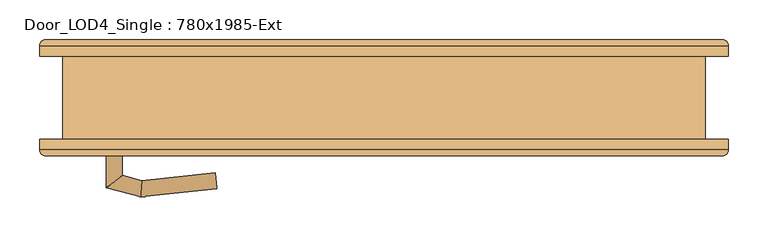
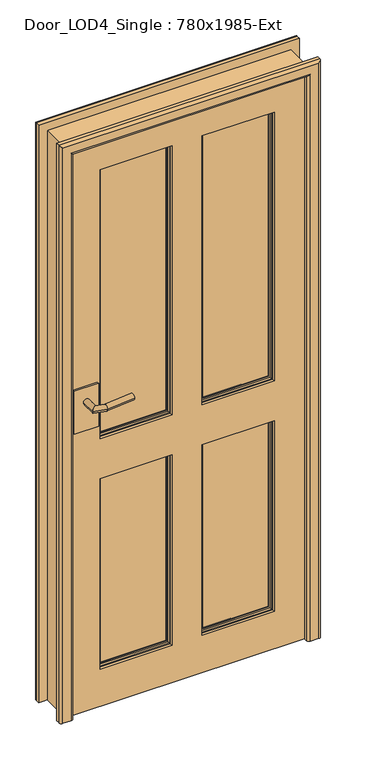
"""IFC4 building model written with IfcOpenShell, lengths in millimetres: door geometry, Door_LOD4_Single : 780x1985-Ext."""

from ifc_helpers import new_model, si_unit, frame, origin, place, context, project, spatial, polyline, circle_curve, ellipse_curve, outline, extrude, faceted_brep, source, transform, mapped, element, save
from ifc_brep_helpers import plane_surface, cylinder_surface, advanced_brep


def door_lod4_single_780x1985_ext_4880addd(model_context):
    return source(origin(), model_context, "Body", "SolidModel", [
        advanced_brep(
        [(290.0000156, -22.5, 130.0), (50.0, -22.5, 130.0), (50.0, -22.5, 800.0), (290.0000156, -22.5, 800.0), (53.6443449, -22.5, 133.6443449), (286.3556707, -22.5, 133.6443449), (286.3556707, -22.5, 796.3556551), (53.6443449, -22.5, 796.3556551), (290.0000156, -42.5, 130.0), (290.0000156, -42.5, 800.0), (50.0, -42.5, 800.0), (50.0, -42.5, 130.0), (53.6443449, -42.5, 796.3556551), (286.3556707, -42.5, 796.3556551), (286.3556707, -42.5, 133.6443449), (53.6443449, -42.5, 133.6443449), (60.5, -34.8125, 789.5), (60.5, -37.8125, 789.5), (60.5, -37.8125, 140.5), (60.5, -34.8125, 140.5), (279.5000156, -37.8125, 140.5), (279.5000156, -34.8125, 140.5), (279.5000156, -37.8125, 789.5), (279.5000156, -34.8125, 789.5), (55.9375, -37.8125, 135.9375), (284.0625156, -37.8125, 135.9375), (284.0625156, -37.8125, 794.0625), (55.9375, -37.8125, 794.0625), (60.5, -27.1875, 789.5), (60.5, -30.1875, 789.5), (60.5, -30.1875, 140.5), (60.5, -27.1875, 140.5), (279.5000156, -30.1875, 140.5), (279.5000156, -27.1875, 140.5), (279.5000156, -30.1875, 789.5), (279.5000156, -27.1875, 789.5), (55.9375, -27.1875, 794.0625), (284.0625156, -27.1875, 794.0625), (284.0625156, -27.1875, 135.9375), (55.9375, -27.1875, 135.9375)],
        [
            (0, 1),
            (1, 2),
            (2, 3),
            (3, 0),
            (4, 5),
            (5, 6),
            (6, 7),
            (7, 4),
            (8, 9),
            (9, 10),
            (10, 11),
            (11, 8),
            (12, 13),
            (13, 14),
            (14, 15),
            (15, 12),
            (3, 9),
            (8, 0),
            (2, 10),
            (1, 11),
            (16, 17),
            (17, 18),
            (18, 19),
            (19, 16),
            (18, 20),
            (20, 21),
            (21, 19),
            (20, 22),
            (22, 23),
            (23, 21),
            (24, 25),
            (25, 26),
            (26, 27),
            (27, 24),
            (17, 22),
            (16, 23),
            (27, 12, ellipse_curve(frame((50.0, -37.8125, 800.0), z_axis=(-0.7071067811865475, 0.0, -0.7071067811865475), x_axis=(0.7071067811865474, 0.0, -0.7071067811865476)), 8.396893, 5.9375)),
            (15, 24, ellipse_curve(frame((50.0, -37.8125, 130.0), z_axis=(-0.7071067811865475, 0.0, 0.7071067811865475), x_axis=(-0.7071067811865474, 0.0, -0.7071067811865476)), 8.396893, 5.9375)),
            (14, 25, ellipse_curve(frame((290.0000156, -37.8125, 130.0), z_axis=(-0.7071067811865475, 0.0, -0.7071067811865475), x_axis=(0.7071067811865476, 0.0, -0.7071067811865474)), 8.396893, 5.9375)),
            (13, 26, ellipse_curve(frame((290.0000156, -37.8125, 800.0), z_axis=(0.7071067811865475, 0.0, -0.7071067811865475), x_axis=(0.7071067811865474, 0.0, 0.7071067811865476)), 8.396893, 5.9375)),
            (28, 29),
            (29, 30),
            (30, 31),
            (31, 28),
            (30, 32),
            (32, 33),
            (33, 31),
            (32, 34),
            (34, 35),
            (35, 33),
            (36, 37),
            (37, 38),
            (38, 39),
            (39, 36),
            (35, 28),
            (34, 29),
            (39, 4, ellipse_curve(frame((50.0, -27.1875, 130.0), z_axis=(-0.7071067811865475, 0.0, 0.7071067811865475), x_axis=(-0.7071067811865474, 0.0, -0.7071067811865476)), 8.396893, 5.9375)),
            (7, 36, ellipse_curve(frame((50.0, -27.1875, 800.0), z_axis=(-0.7071067811865475, 0.0, -0.7071067811865475), x_axis=(0.7071067811865474, 0.0, -0.7071067811865476)), 8.396893, 5.9375)),
            (38, 5, ellipse_curve(frame((290.0000156, -27.1875, 130.0), z_axis=(-0.7071067811865475, 0.0, -0.7071067811865475), x_axis=(0.7071067811865476, 0.0, -0.7071067811865474)), 8.396893, 5.9375)),
            (37, 6, ellipse_curve(frame((290.0000156, -27.1875, 800.0), z_axis=(0.7071067811865475, 0.0, -0.7071067811865475), x_axis=(0.7071067811865474, 0.0, 0.7071067811865476)), 8.396893, 5.9375)),
        ],
        [
            plane_surface(frame((290.0000156, -22.5, 130.0), z_axis=(0.0, 1.0, 0.0), x_axis=(0.0, 0.0, 1.0))),
            plane_surface(frame((290.0000156, -42.5, 130.0), z_axis=(0.0, -1.0, 0.0), x_axis=(0.0, 0.0, -1.0))),
            plane_surface(frame((290.0000156, -22.5, 130.0), z_axis=(1.0, 0.0, 0.0), x_axis=(0.0, -1.0, 0.0))),
            plane_surface(frame((290.0000156, -22.5, 800.0), z_axis=(0.0, 0.0, 1.0), x_axis=(0.0, -1.0, 0.0))),
            plane_surface(frame((50.0, -22.5, 800.0), z_axis=(-1.0, 0.0, 0.0), x_axis=(0.0, -1.0, 0.0))),
            plane_surface(frame((50.0, -22.5, 130.0), z_axis=(0.0, 0.0, -1.0), x_axis=(0.0, -1.0, 0.0))),
            plane_surface(frame((60.5, -37.8125, 789.5), z_axis=(1.0, 0.0, 0.0), x_axis=(0.0, 0.0, -1.0))),
            plane_surface(frame((60.5, -37.8125, 140.5), z_axis=(0.0, 0.0, 1.0), x_axis=(1.0, 0.0, 0.0))),
            plane_surface(frame((279.5000156, -37.8125, 140.5), z_axis=(-1.0, 0.0, 0.0), x_axis=(0.0, 0.0, 1.0))),
            plane_surface(frame((284.0625156, -37.8125, 794.0625), z_axis=(0.0, -1.0, 0.0), x_axis=(-1.0, 0.0, 0.0))),
            plane_surface(frame((279.5000156, -37.8125, 789.5), z_axis=(0.0, 0.0, -1.0), x_axis=(-1.0, 0.0, 0.0))),
            plane_surface(frame((279.5000156, -34.8125, 789.5), z_axis=(0.0, -1.0, 0.0), x_axis=(-1.0, 0.0, 0.0))),
            cylinder_surface(frame((50.0, -37.8125, 800.0), z_axis=(0.0, 0.0, -1.0), x_axis=(-1.0, 0.0, 0.0)), 5.9375),
            cylinder_surface(frame((50.0, -37.8125, 130.0), z_axis=(1.0, 0.0, 0.0), x_axis=(0.0, 0.0, -1.0)), 5.9375),
            cylinder_surface(frame((290.0000156, -37.8125, 130.0), z_axis=(0.0, 0.0, 1.0), x_axis=(1.0, 0.0, 0.0)), 5.9375),
            cylinder_surface(frame((290.0000156, -37.8125, 800.0), z_axis=(-1.0, 0.0, 0.0), x_axis=(0.0, 0.0, 1.0)), 5.9375),
            plane_surface(frame((60.5, -30.1875, 789.5), z_axis=(1.0, 0.0, 0.0), x_axis=(0.0, 0.0, -1.0))),
            plane_surface(frame((60.5, -30.1875, 140.5), z_axis=(0.0, 0.0, 1.0), x_axis=(1.0, 0.0, 0.0))),
            plane_surface(frame((279.5000156, -30.1875, 140.5), z_axis=(-1.0, 0.0, 0.0), x_axis=(0.0, 0.0, 1.0))),
            plane_surface(frame((279.5000156, -27.1875, 789.5), z_axis=(0.0, 1.0, 0.0), x_axis=(-1.0, 0.0, 0.0))),
            plane_surface(frame((279.5000156, -30.1875, 789.5), z_axis=(0.0, 0.0, -1.0), x_axis=(-1.0, 0.0, 0.0))),
            plane_surface(frame((256.5442632, -30.1875, 766.5442476), z_axis=(0.0, 1.0, 0.0), x_axis=(-1.0, 0.0, 0.0))),
            cylinder_surface(frame((50.0, -27.1875, 800.0), z_axis=(0.0, 0.0, -1.0), x_axis=(1.0, 0.0, 0.0)), 5.9375),
            cylinder_surface(frame((50.0, -27.1875, 130.0), z_axis=(1.0, 0.0, 0.0), x_axis=(0.0, 0.0, 1.0)), 5.9375),
            cylinder_surface(frame((290.0000156, -27.1875, 130.0), z_axis=(0.0, 0.0, 1.0), x_axis=(-1.0, 0.0, 0.0)), 5.9375),
            cylinder_surface(frame((290.0000156, -27.1875, 800.0), z_axis=(-1.0, 0.0, 0.0), x_axis=(0.0, 0.0, -1.0)), 5.9375),
        ],
        [
            (0, [[1, 2, 3, 4], [5, 6, 7, 8]]),
            (1, [[9, 10, 11, 12], [13, 14, 15, 16]]),
            (2, [[17, -9, 18, -4]]),
            (3, [[19, -10, -17, -3]]),
            (4, [[20, -11, -19, -2]]),
            (5, [[-18, -12, -20, -1]]),
            (6, [[21, 22, 23, 24]]),
            (7, [[25, 26, 27, -23]]),
            (8, [[28, 29, 30, -26]]),
            (9, [[31, 32, 33, 34], [35, -28, -25, -22]]),
            (10, [[36, -29, -35, -21]]),
            (11, [[-27, -30, -36, -24]]),
            (12, [[37, -16, 38, -34]]),
            (13, [[-38, -15, 39, -31]]),
            (14, [[-39, -14, 40, -32]]),
            (15, [[-40, -13, -37, -33]]),
            (16, [[41, 42, 43, 44]]),
            (17, [[45, 46, 47, -43]]),
            (18, [[48, 49, 50, -46]]),
            (19, [[51, 52, 53, 54], [-47, -50, 55, -44]]),
            (20, [[-55, -49, 56, -41]]),
            (21, [[-56, -48, -45, -42]]),
            (22, [[57, -8, 58, -54]]),
            (23, [[59, -5, -57, -53]]),
            (24, [[60, -6, -59, -52]]),
            (25, [[-58, -7, -60, -51]]),
        ],
    ),
        advanced_brep(
        [(-50.0, -22.5, 130.0), (-290.0000156, -22.5, 130.0), (-290.0000156, -22.5, 800.0), (-50.0, -22.5, 800.0), (-286.3556707, -22.5, 133.6443449), (-53.6443449, -22.5, 133.6443449), (-53.6443449, -22.5, 796.3556551), (-286.3556707, -22.5, 796.3556551), (-50.0, -42.5, 130.0), (-50.0, -42.5, 800.0), (-290.0000156, -42.5, 800.0), (-290.0000156, -42.5, 130.0), (-286.3556707, -42.5, 796.3556551), (-53.6443449, -42.5, 796.3556551), (-53.6443449, -42.5, 133.6443449), (-286.3556707, -42.5, 133.6443449), (-279.5000156, -34.8125, 789.5), (-279.5000156, -37.8125, 789.5), (-279.5000156, -37.8125, 140.5), (-279.5000156, -34.8125, 140.5), (-60.5, -37.8125, 140.5), (-60.5, -34.8125, 140.5), (-60.5, -37.8125, 789.5), (-60.5, -34.8125, 789.5), (-284.0625156, -37.8125, 135.9375), (-55.9375, -37.8125, 135.9375), (-55.9375, -37.8125, 794.0625), (-284.0625156, -37.8125, 794.0625), (-279.5000156, -27.1875, 789.5), (-279.5000156, -30.1875, 789.5), (-279.5000156, -30.1875, 140.5), (-279.5000156, -27.1875, 140.5), (-60.5, -30.1875, 140.5), (-60.5, -27.1875, 140.5), (-60.5, -30.1875, 789.5), (-60.5, -27.1875, 789.5), (-284.0625156, -27.1875, 794.0625), (-55.9375, -27.1875, 794.0625), (-55.9375, -27.1875, 135.9375), (-284.0625156, -27.1875, 135.9375)],
        [
            (0, 1),
            (1, 2),
            (2, 3),
            (3, 0),
            (4, 5),
            (5, 6),
            (6, 7),
            (7, 4),
            (8, 9),
            (9, 10),
            (10, 11),
            (11, 8),
            (12, 13),
            (13, 14),
            (14, 15),
            (15, 12),
            (3, 9),
            (8, 0),
            (2, 10),
            (1, 11),
            (16, 17),
            (17, 18),
            (18, 19),
            (19, 16),
            (18, 20),
            (20, 21),
            (21, 19),
            (20, 22),
            (22, 23),
            (23, 21),
            (24, 25),
            (25, 26),
            (26, 27),
            (27, 24),
            (17, 22),
            (16, 23),
            (27, 12, ellipse_curve(frame((-290.0000156, -37.8125, 800.0), z_axis=(-0.7071067811865475, 0.0, -0.7071067811865475), x_axis=(0.7071067811865474, 0.0, -0.7071067811865476)), 8.396893, 5.9375)),
            (15, 24, ellipse_curve(frame((-290.0000156, -37.8125, 130.0), z_axis=(-0.7071067811865475, 0.0, 0.7071067811865475), x_axis=(-0.7071067811865474, 0.0, -0.7071067811865476)), 8.396893, 5.9375)),
            (14, 25, ellipse_curve(frame((-50.0, -37.8125, 130.0), z_axis=(-0.7071067811865475, 0.0, -0.7071067811865475), x_axis=(0.7071067811865476, 0.0, -0.7071067811865474)), 8.396893, 5.9375)),
            (13, 26, ellipse_curve(frame((-50.0, -37.8125, 800.0), z_axis=(0.7071067811865475, 0.0, -0.7071067811865475), x_axis=(0.7071067811865474, 0.0, 0.7071067811865476)), 8.396893, 5.9375)),
            (28, 29),
            (29, 30),
            (30, 31),
            (31, 28),
            (30, 32),
            (32, 33),
            (33, 31),
            (32, 34),
            (34, 35),
            (35, 33),
            (36, 37),
            (37, 38),
            (38, 39),
            (39, 36),
            (35, 28),
            (34, 29),
            (39, 4, ellipse_curve(frame((-290.0000156, -27.1875, 130.0), z_axis=(-0.7071067811865475, 0.0, 0.7071067811865475), x_axis=(-0.7071067811865474, 0.0, -0.7071067811865476)), 8.396893, 5.9375)),
            (7, 36, ellipse_curve(frame((-290.0000156, -27.1875, 800.0), z_axis=(-0.7071067811865475, 0.0, -0.7071067811865475), x_axis=(0.7071067811865474, 0.0, -0.7071067811865476)), 8.396893, 5.9375)),
            (38, 5, ellipse_curve(frame((-50.0, -27.1875, 130.0), z_axis=(-0.7071067811865475, 0.0, -0.7071067811865475), x_axis=(0.7071067811865476, 0.0, -0.7071067811865474)), 8.396893, 5.9375)),
            (37, 6, ellipse_curve(frame((-50.0, -27.1875, 800.0), z_axis=(0.7071067811865475, 0.0, -0.7071067811865475), x_axis=(0.7071067811865474, 0.0, 0.7071067811865476)), 8.396893, 5.9375)),
        ],
        [
            plane_surface(frame((-50.0, -22.5, 130.0), z_axis=(0.0, 1.0, 0.0), x_axis=(0.0, 0.0, 1.0))),
            plane_surface(frame((-50.0, -42.5, 130.0), z_axis=(0.0, -1.0, 0.0), x_axis=(0.0, 0.0, -1.0))),
            plane_surface(frame((-50.0, -22.5, 130.0), z_axis=(1.0, 0.0, 0.0), x_axis=(0.0, -1.0, 0.0))),
            plane_surface(frame((-50.0, -22.5, 800.0), z_axis=(0.0, 0.0, 1.0), x_axis=(0.0, -1.0, 0.0))),
            plane_surface(frame((-290.0000156, -22.5, 800.0), z_axis=(-1.0, 0.0, 0.0), x_axis=(0.0, -1.0, 0.0))),
            plane_surface(frame((-290.0000156, -22.5, 130.0), z_axis=(0.0, 0.0, -1.0), x_axis=(0.0, -1.0, 0.0))),
            plane_surface(frame((-279.5000156, -37.8125, 789.5), z_axis=(1.0, 0.0, 0.0), x_axis=(0.0, 0.0, -1.0))),
            plane_surface(frame((-279.5000156, -37.8125, 140.5), z_axis=(0.0, 0.0, 1.0), x_axis=(1.0, 0.0, 0.0))),
            plane_surface(frame((-60.5, -37.8125, 140.5), z_axis=(-1.0, 0.0, 0.0), x_axis=(0.0, 0.0, 1.0))),
            plane_surface(frame((-55.9375, -37.8125, 794.0625), z_axis=(0.0, -1.0, 0.0), x_axis=(-1.0, 0.0, 0.0))),
            plane_surface(frame((-60.5, -37.8125, 789.5), z_axis=(0.0, 0.0, -1.0), x_axis=(-1.0, 0.0, 0.0))),
            plane_surface(frame((-60.5, -34.8125, 789.5), z_axis=(0.0, -1.0, 0.0), x_axis=(-1.0, 0.0, 0.0))),
            cylinder_surface(frame((-290.0000156, -37.8125, 800.0), z_axis=(0.0, 0.0, -1.0), x_axis=(-1.0, 0.0, 0.0)), 5.9375),
            cylinder_surface(frame((-290.0000156, -37.8125, 130.0), z_axis=(1.0, 0.0, 0.0), x_axis=(0.0, 0.0, -1.0)), 5.9375),
            cylinder_surface(frame((-50.0, -37.8125, 130.0), z_axis=(0.0, 0.0, 1.0), x_axis=(1.0, 0.0, 0.0)), 5.9375),
            cylinder_surface(frame((-50.0, -37.8125, 800.0), z_axis=(-1.0, 0.0, 0.0), x_axis=(0.0, 0.0, 1.0)), 5.9375),
            plane_surface(frame((-279.5000156, -30.1875, 789.5), z_axis=(1.0, 0.0, 0.0), x_axis=(0.0, 0.0, -1.0))),
            plane_surface(frame((-279.5000156, -30.1875, 140.5), z_axis=(0.0, 0.0, 1.0), x_axis=(1.0, 0.0, 0.0))),
            plane_surface(frame((-60.5, -30.1875, 140.5), z_axis=(-1.0, 0.0, 0.0), x_axis=(0.0, 0.0, 1.0))),
            plane_surface(frame((-60.5, -27.1875, 789.5), z_axis=(0.0, 1.0, 0.0), x_axis=(-1.0, 0.0, 0.0))),
            plane_surface(frame((-60.5, -30.1875, 789.5), z_axis=(0.0, 0.0, -1.0), x_axis=(-1.0, 0.0, 0.0))),
            plane_surface(frame((-83.4557524, -30.1875, 766.5442476), z_axis=(0.0, 1.0, 0.0), x_axis=(-1.0, 0.0, 0.0))),
            cylinder_surface(frame((-290.0000156, -27.1875, 800.0), z_axis=(0.0, 0.0, -1.0), x_axis=(1.0, 0.0, 0.0)), 5.9375),
            cylinder_surface(frame((-290.0000156, -27.1875, 130.0), z_axis=(1.0, 0.0, 0.0), x_axis=(0.0, 0.0, 1.0)), 5.9375),
            cylinder_surface(frame((-50.0, -27.1875, 130.0), z_axis=(0.0, 0.0, 1.0), x_axis=(-1.0, 0.0, 0.0)), 5.9375),
            cylinder_surface(frame((-50.0, -27.1875, 800.0), z_axis=(-1.0, 0.0, 0.0), x_axis=(0.0, 0.0, -1.0)), 5.9375),
        ],
        [
            (0, [[1, 2, 3, 4], [5, 6, 7, 8]]),
            (1, [[9, 10, 11, 12], [13, 14, 15, 16]]),
            (2, [[17, -9, 18, -4]]),
            (3, [[19, -10, -17, -3]]),
            (4, [[20, -11, -19, -2]]),
            (5, [[-18, -12, -20, -1]]),
            (6, [[21, 22, 23, 24]]),
            (7, [[25, 26, 27, -23]]),
            (8, [[28, 29, 30, -26]]),
            (9, [[31, 32, 33, 34], [35, -28, -25, -22]]),
            (10, [[36, -29, -35, -21]]),
            (11, [[-27, -30, -36, -24]]),
            (12, [[37, -16, 38, -34]]),
            (13, [[-38, -15, 39, -31]]),
            (14, [[-39, -14, 40, -32]]),
            (15, [[-40, -13, -37, -33]]),
            (16, [[41, 42, 43, 44]]),
            (17, [[45, 46, 47, -43]]),
            (18, [[48, 49, 50, -46]]),
            (19, [[51, 52, 53, 54], [-47, -50, 55, -44]]),
            (20, [[-55, -49, 56, -41]]),
            (21, [[-56, -48, -45, -42]]),
            (22, [[57, -8, 58, -54]]),
            (23, [[59, -5, -57, -53]]),
            (24, [[60, -6, -59, -52]]),
            (25, [[-58, -7, -60, -51]]),
        ],
    ),
        advanced_brep(
        [(290.0000156, -22.5, 940.0), (50.0, -22.5, 940.0), (50.0, -22.5, 1885.0000795), (290.0000156, -22.5, 1885.0000795), (53.6443449, -22.5, 943.6443449), (286.3556707, -22.5, 943.6443449), (286.3556707, -22.5, 1881.3557346), (53.6443449, -22.5, 1881.3557346), (290.0000156, -42.5, 940.0), (290.0000156, -42.5, 1885.0000795), (50.0, -42.5, 1885.0000795), (50.0, -42.5, 940.0), (53.6443449, -42.5, 1881.3557346), (286.3556707, -42.5, 1881.3557346), (286.3556707, -42.5, 943.6443449), (53.6443449, -42.5, 943.6443449), (60.5, -34.8125, 1874.5000795), (60.5, -37.8125, 1874.5000795), (60.5, -37.8125, 950.5), (60.5, -34.8125, 950.5), (279.5000156, -37.8125, 950.5), (279.5000156, -34.8125, 950.5), (279.5000156, -37.8125, 1874.5000795), (279.5000156, -34.8125, 1874.5000795), (55.9375, -37.8125, 945.9375), (284.0625156, -37.8125, 945.9375), (284.0625156, -37.8125, 1879.0625795), (55.9375, -37.8125, 1879.0625795), (60.5, -27.1875, 1874.5000795), (60.5, -30.1875, 1874.5000795), (60.5, -30.1875, 950.5), (60.5, -27.1875, 950.5), (279.5000156, -30.1875, 950.5), (279.5000156, -27.1875, 950.5), (279.5000156, -30.1875, 1874.5000795), (279.5000156, -27.1875, 1874.5000795), (55.9375, -27.1875, 1879.0625795), (284.0625156, -27.1875, 1879.0625795), (284.0625156, -27.1875, 945.9375), (55.9375, -27.1875, 945.9375)],
        [
            (0, 1),
            (1, 2),
            (2, 3),
            (3, 0),
            (4, 5),
            (5, 6),
            (6, 7),
            (7, 4),
            (8, 9),
            (9, 10),
            (10, 11),
            (11, 8),
            (12, 13),
            (13, 14),
            (14, 15),
            (15, 12),
            (3, 9),
            (8, 0),
            (2, 10),
            (1, 11),
            (16, 17),
            (17, 18),
            (18, 19),
            (19, 16),
            (18, 20),
            (20, 21),
            (21, 19),
            (20, 22),
            (22, 23),
            (23, 21),
            (24, 25),
            (25, 26),
            (26, 27),
            (27, 24),
            (17, 22),
            (16, 23),
            (27, 12, ellipse_curve(frame((50.0, -37.8125, 1885.0000795), z_axis=(-0.7071067811865475, 0.0, -0.7071067811865475), x_axis=(0.7071067811865474, 0.0, -0.7071067811865476)), 8.396893, 5.9375)),
            (15, 24, ellipse_curve(frame((50.0, -37.8125, 940.0), z_axis=(-0.7071067811865475, 0.0, 0.7071067811865475), x_axis=(-0.7071067811865474, 0.0, -0.7071067811865476)), 8.396893, 5.9375)),
            (14, 25, ellipse_curve(frame((290.0000156, -37.8125, 940.0), z_axis=(-0.7071067811865475, 0.0, -0.7071067811865475), x_axis=(0.7071067811865476, 0.0, -0.7071067811865474)), 8.396893, 5.9375)),
            (13, 26, ellipse_curve(frame((290.0000156, -37.8125, 1885.0000795), z_axis=(0.7071067811865475, 0.0, -0.7071067811865475), x_axis=(0.7071067811865474, 0.0, 0.7071067811865476)), 8.396893, 5.9375)),
            (28, 29),
            (29, 30),
            (30, 31),
            (31, 28),
            (30, 32),
            (32, 33),
            (33, 31),
            (32, 34),
            (34, 35),
            (35, 33),
            (36, 37),
            (37, 38),
            (38, 39),
            (39, 36),
            (35, 28),
            (34, 29),
            (39, 4, ellipse_curve(frame((50.0, -27.1875, 940.0), z_axis=(-0.7071067811865475, 0.0, 0.7071067811865475), x_axis=(-0.7071067811865474, 0.0, -0.7071067811865476)), 8.396893, 5.9375)),
            (7, 36, ellipse_curve(frame((50.0, -27.1875, 1885.0000795), z_axis=(-0.7071067811865475, 0.0, -0.7071067811865475), x_axis=(0.7071067811865474, 0.0, -0.7071067811865476)), 8.396893, 5.9375)),
            (38, 5, ellipse_curve(frame((290.0000156, -27.1875, 940.0), z_axis=(-0.7071067811865475, 0.0, -0.7071067811865475), x_axis=(0.7071067811865476, 0.0, -0.7071067811865474)), 8.396893, 5.9375)),
            (37, 6, ellipse_curve(frame((290.0000156, -27.1875, 1885.0000795), z_axis=(0.7071067811865475, 0.0, -0.7071067811865475), x_axis=(0.7071067811865474, 0.0, 0.7071067811865476)), 8.396893, 5.9375)),
        ],
        [
            plane_surface(frame((290.0000156, -22.5, 940.0), z_axis=(0.0, 1.0, 0.0), x_axis=(0.0, 0.0, 1.0))),
            plane_surface(frame((290.0000156, -42.5, 940.0), z_axis=(0.0, -1.0, 0.0), x_axis=(0.0, 0.0, -1.0))),
            plane_surface(frame((290.0000156, -22.5, 940.0), z_axis=(1.0, 0.0, 0.0), x_axis=(0.0, -1.0, 0.0))),
            plane_surface(frame((290.0000156, -22.5, 1885.0000795), z_axis=(0.0, 0.0, 1.0), x_axis=(0.0, -1.0, 0.0))),
            plane_surface(frame((50.0, -22.5, 1885.0000795), z_axis=(-1.0, 0.0, 0.0), x_axis=(0.0, -1.0, 0.0))),
            plane_surface(frame((50.0, -22.5, 940.0), z_axis=(0.0, 0.0, -1.0), x_axis=(0.0, -1.0, 0.0))),
            plane_surface(frame((60.5, -37.8125, 1874.5000795), z_axis=(1.0, 0.0, 0.0), x_axis=(0.0, 0.0, -1.0))),
            plane_surface(frame((60.5, -37.8125, 950.5), z_axis=(0.0, 0.0, 1.0), x_axis=(1.0, 0.0, 0.0))),
            plane_surface(frame((279.5000156, -37.8125, 950.5), z_axis=(-1.0, 0.0, 0.0), x_axis=(0.0, 0.0, 1.0))),
            plane_surface(frame((284.0625156, -37.8125, 1879.0625795), z_axis=(0.0, -1.0, 0.0), x_axis=(-1.0, 0.0, 0.0))),
            plane_surface(frame((279.5000156, -37.8125, 1874.5000795), z_axis=(0.0, 0.0, -1.0), x_axis=(-1.0, 0.0, 0.0))),
            plane_surface(frame((279.5000156, -34.8125, 1874.5000795), z_axis=(0.0, -1.0, 0.0), x_axis=(-1.0, 0.0, 0.0))),
            cylinder_surface(frame((50.0, -37.8125, 1885.0000795), z_axis=(0.0, 0.0, -1.0), x_axis=(-1.0, 0.0, 0.0)), 5.9375),
            cylinder_surface(frame((50.0, -37.8125, 940.0), z_axis=(1.0, 0.0, 0.0), x_axis=(0.0, 0.0, -1.0)), 5.9375),
            cylinder_surface(frame((290.0000156, -37.8125, 940.0), z_axis=(0.0, 0.0, 1.0), x_axis=(1.0, 0.0, 0.0)), 5.9375),
            cylinder_surface(frame((290.0000156, -37.8125, 1885.0000795), z_axis=(-1.0, 0.0, 0.0), x_axis=(0.0, 0.0, 1.0)), 5.9375),
            plane_surface(frame((60.5, -30.1875, 1874.5000795), z_axis=(1.0, 0.0, 0.0), x_axis=(0.0, 0.0, -1.0))),
            plane_surface(frame((60.5, -30.1875, 950.5), z_axis=(0.0, 0.0, 1.0), x_axis=(1.0, 0.0, 0.0))),
            plane_surface(frame((279.5000156, -30.1875, 950.5), z_axis=(-1.0, 0.0, 0.0), x_axis=(0.0, 0.0, 1.0))),
            plane_surface(frame((279.5000156, -27.1875, 1874.5000795), z_axis=(0.0, 1.0, 0.0), x_axis=(-1.0, 0.0, 0.0))),
            plane_surface(frame((279.5000156, -30.1875, 1874.5000795), z_axis=(0.0, 0.0, -1.0), x_axis=(-1.0, 0.0, 0.0))),
            plane_surface(frame((256.5442632, -30.1875, 1851.5443271), z_axis=(0.0, 1.0, 0.0), x_axis=(-1.0, 0.0, 0.0))),
            cylinder_surface(frame((50.0, -27.1875, 1885.0000795), z_axis=(0.0, 0.0, -1.0), x_axis=(1.0, 0.0, 0.0)), 5.9375),
            cylinder_surface(frame((50.0, -27.1875, 940.0), z_axis=(1.0, 0.0, 0.0), x_axis=(0.0, 0.0, 1.0)), 5.9375),
            cylinder_surface(frame((290.0000156, -27.1875, 940.0), z_axis=(0.0, 0.0, 1.0), x_axis=(-1.0, 0.0, 0.0)), 5.9375),
            cylinder_surface(frame((290.0000156, -27.1875, 1885.0000795), z_axis=(-1.0, 0.0, 0.0), x_axis=(0.0, 0.0, -1.0)), 5.9375),
        ],
        [
            (0, [[1, 2, 3, 4], [5, 6, 7, 8]]),
            (1, [[9, 10, 11, 12], [13, 14, 15, 16]]),
            (2, [[17, -9, 18, -4]]),
            (3, [[19, -10, -17, -3]]),
            (4, [[20, -11, -19, -2]]),
            (5, [[-18, -12, -20, -1]]),
            (6, [[21, 22, 23, 24]]),
            (7, [[25, 26, 27, -23]]),
            (8, [[28, 29, 30, -26]]),
            (9, [[31, 32, 33, 34], [35, -28, -25, -22]]),
            (10, [[36, -29, -35, -21]]),
            (11, [[-27, -30, -36, -24]]),
            (12, [[37, -16, 38, -34]]),
            (13, [[-38, -15, 39, -31]]),
            (14, [[-39, -14, 40, -32]]),
            (15, [[-40, -13, -37, -33]]),
            (16, [[41, 42, 43, 44]]),
            (17, [[45, 46, 47, -43]]),
            (18, [[48, 49, 50, -46]]),
            (19, [[51, 52, 53, 54], [-47, -50, 55, -44]]),
            (20, [[-55, -49, 56, -41]]),
            (21, [[-56, -48, -45, -42]]),
            (22, [[57, -8, 58, -54]]),
            (23, [[59, -5, -57, -53]]),
            (24, [[60, -6, -59, -52]]),
            (25, [[-58, -7, -60, -51]]),
        ],
    ),
        advanced_brep(
        [(-50.0, -22.5, 940.0), (-290.0000156, -22.5, 940.0), (-290.0000156, -22.5, 1885.0000795), (-50.0, -22.5, 1885.0000795), (-286.3556707, -22.5, 943.6443449), (-53.6443449, -22.5, 943.6443449), (-53.6443449, -22.5, 1881.3557346), (-286.3556707, -22.5, 1881.3557346), (-50.0, -42.5, 940.0), (-50.0, -42.5, 1885.0000795), (-290.0000156, -42.5, 1885.0000795), (-290.0000156, -42.5, 940.0), (-286.3556707, -42.5, 1881.3557346), (-53.6443449, -42.5, 1881.3557346), (-53.6443449, -42.5, 943.6443449), (-286.3556707, -42.5, 943.6443449), (-279.5000156, -34.8125, 1874.5000795), (-279.5000156, -37.8125, 1874.5000795), (-279.5000156, -37.8125, 950.5), (-279.5000156, -34.8125, 950.5), (-60.5, -37.8125, 950.5), (-60.5, -34.8125, 950.5), (-60.5, -37.8125, 1874.5000795), (-60.5, -34.8125, 1874.5000795), (-284.0625156, -37.8125, 945.9375), (-55.9375, -37.8125, 945.9375), (-55.9375, -37.8125, 1879.0625795), (-284.0625156, -37.8125, 1879.0625795), (-279.5000156, -27.1875, 1874.5000795), (-279.5000156, -30.1875, 1874.5000795), (-279.5000156, -30.1875, 950.5), (-279.5000156, -27.1875, 950.5), (-60.5, -30.1875, 950.5), (-60.5, -27.1875, 950.5), (-60.5, -30.1875, 1874.5000795), (-60.5, -27.1875, 1874.5000795), (-284.0625156, -27.1875, 1879.0625795), (-55.9375, -27.1875, 1879.0625795), (-55.9375, -27.1875, 945.9375), (-284.0625156, -27.1875, 945.9375)],
        [
            (0, 1),
            (1, 2),
            (2, 3),
            (3, 0),
            (4, 5),
            (5, 6),
            (6, 7),
            (7, 4),
            (8, 9),
            (9, 10),
            (10, 11),
            (11, 8),
            (12, 13),
            (13, 14),
            (14, 15),
            (15, 12),
            (3, 9),
            (8, 0),
            (2, 10),
            (1, 11),
            (16, 17),
            (17, 18),
            (18, 19),
            (19, 16),
            (18, 20),
            (20, 21),
            (21, 19),
            (20, 22),
            (22, 23),
            (23, 21),
            (24, 25),
            (25, 26),
            (26, 27),
            (27, 24),
            (17, 22),
            (16, 23),
            (27, 12, ellipse_curve(frame((-290.0000156, -37.8125, 1885.0000795), z_axis=(-0.7071067811865475, 0.0, -0.7071067811865475), x_axis=(0.7071067811865474, 0.0, -0.7071067811865476)), 8.396893, 5.9375)),
            (15, 24, ellipse_curve(frame((-290.0000156, -37.8125, 940.0), z_axis=(-0.7071067811865475, 0.0, 0.7071067811865475), x_axis=(-0.7071067811865474, 0.0, -0.7071067811865476)), 8.396893, 5.9375)),
            (14, 25, ellipse_curve(frame((-50.0, -37.8125, 940.0), z_axis=(-0.7071067811865475, 0.0, -0.7071067811865475), x_axis=(0.7071067811865476, 0.0, -0.7071067811865474)), 8.396893, 5.9375)),
            (13, 26, ellipse_curve(frame((-50.0, -37.8125, 1885.0000795), z_axis=(0.7071067811865475, 0.0, -0.7071067811865475), x_axis=(0.7071067811865474, 0.0, 0.7071067811865476)), 8.396893, 5.9375)),
            (28, 29),
            (29, 30),
            (30, 31),
            (31, 28),
            (30, 32),
            (32, 33),
            (33, 31),
            (32, 34),
            (34, 35),
            (35, 33),
            (36, 37),
            (37, 38),
            (38, 39),
            (39, 36),
            (35, 28),
            (34, 29),
            (39, 4, ellipse_curve(frame((-290.0000156, -27.1875, 940.0), z_axis=(-0.7071067811865475, 0.0, 0.7071067811865475), x_axis=(-0.7071067811865474, 0.0, -0.7071067811865476)), 8.396893, 5.9375)),
            (7, 36, ellipse_curve(frame((-290.0000156, -27.1875, 1885.0000795), z_axis=(-0.7071067811865475, 0.0, -0.7071067811865475), x_axis=(0.7071067811865474, 0.0, -0.7071067811865476)), 8.396893, 5.9375)),
            (38, 5, ellipse_curve(frame((-50.0, -27.1875, 940.0), z_axis=(-0.7071067811865475, 0.0, -0.7071067811865475), x_axis=(0.7071067811865476, 0.0, -0.7071067811865474)), 8.396893, 5.9375)),
            (37, 6, ellipse_curve(frame((-50.0, -27.1875, 1885.0000795), z_axis=(0.7071067811865475, 0.0, -0.7071067811865475), x_axis=(0.7071067811865474, 0.0, 0.7071067811865476)), 8.396893, 5.9375)),
        ],
        [
            plane_surface(frame((-50.0, -22.5, 940.0), z_axis=(0.0, 1.0, 0.0), x_axis=(0.0, 0.0, 1.0))),
            plane_surface(frame((-50.0, -42.5, 940.0), z_axis=(0.0, -1.0, 0.0), x_axis=(0.0, 0.0, -1.0))),
            plane_surface(frame((-50.0, -22.5, 940.0), z_axis=(1.0, 0.0, 0.0), x_axis=(0.0, -1.0, 0.0))),
            plane_surface(frame((-50.0, -22.5, 1885.0000795), z_axis=(0.0, 0.0, 1.0), x_axis=(0.0, -1.0, 0.0))),
            plane_surface(frame((-290.0000156, -22.5, 1885.0000795), z_axis=(-1.0, 0.0, 0.0), x_axis=(0.0, -1.0, 0.0))),
            plane_surface(frame((-290.0000156, -22.5, 940.0), z_axis=(0.0, 0.0, -1.0), x_axis=(0.0, -1.0, 0.0))),
            plane_surface(frame((-279.5000156, -37.8125, 1874.5000795), z_axis=(1.0, 0.0, 0.0), x_axis=(0.0, 0.0, -1.0))),
            plane_surface(frame((-279.5000156, -37.8125, 950.5), z_axis=(0.0, 0.0, 1.0), x_axis=(1.0, 0.0, 0.0))),
            plane_surface(frame((-60.5, -37.8125, 950.5), z_axis=(-1.0, 0.0, 0.0), x_axis=(0.0, 0.0, 1.0))),
            plane_surface(frame((-55.9375, -37.8125, 1879.0625795), z_axis=(0.0, -1.0, 0.0), x_axis=(-1.0, 0.0, 0.0))),
            plane_surface(frame((-60.5, -37.8125, 1874.5000795), z_axis=(0.0, 0.0, -1.0), x_axis=(-1.0, 0.0, 0.0))),
            plane_surface(frame((-60.5, -34.8125, 1874.5000795), z_axis=(0.0, -1.0, 0.0), x_axis=(-1.0, 0.0, 0.0))),
            cylinder_surface(frame((-290.0000156, -37.8125, 1885.0000795), z_axis=(0.0, 0.0, -1.0), x_axis=(-1.0, 0.0, 0.0)), 5.9375),
            cylinder_surface(frame((-290.0000156, -37.8125, 940.0), z_axis=(1.0, 0.0, 0.0), x_axis=(0.0, 0.0, -1.0)), 5.9375),
            cylinder_surface(frame((-50.0, -37.8125, 940.0), z_axis=(0.0, 0.0, 1.0), x_axis=(1.0, 0.0, 0.0)), 5.9375),
            cylinder_surface(frame((-50.0, -37.8125, 1885.0000795), z_axis=(-1.0, 0.0, 0.0), x_axis=(0.0, 0.0, 1.0)), 5.9375),
            plane_surface(frame((-279.5000156, -30.1875, 1874.5000795), z_axis=(1.0, 0.0, 0.0), x_axis=(0.0, 0.0, -1.0))),
            plane_surface(frame((-279.5000156, -30.1875, 950.5), z_axis=(0.0, 0.0, 1.0), x_axis=(1.0, 0.0, 0.0))),
            plane_surface(frame((-60.5, -30.1875, 950.5), z_axis=(-1.0, 0.0, 0.0), x_axis=(0.0, 0.0, 1.0))),
            plane_surface(frame((-60.5, -27.1875, 1874.5000795), z_axis=(0.0, 1.0, 0.0), x_axis=(-1.0, 0.0, 0.0))),
            plane_surface(frame((-60.5, -30.1875, 1874.5000795), z_axis=(0.0, 0.0, -1.0), x_axis=(-1.0, 0.0, 0.0))),
            plane_surface(frame((-83.4557524, -30.1875, 1851.5443271), z_axis=(0.0, 1.0, 0.0), x_axis=(-1.0, 0.0, 0.0))),
            cylinder_surface(frame((-290.0000156, -27.1875, 1885.0000795), z_axis=(0.0, 0.0, -1.0), x_axis=(1.0, 0.0, 0.0)), 5.9375),
            cylinder_surface(frame((-290.0000156, -27.1875, 940.0), z_axis=(1.0, 0.0, 0.0), x_axis=(0.0, 0.0, 1.0)), 5.9375),
            cylinder_surface(frame((-50.0, -27.1875, 940.0), z_axis=(0.0, 0.0, 1.0), x_axis=(-1.0, 0.0, 0.0)), 5.9375),
            cylinder_surface(frame((-50.0, -27.1875, 1885.0000795), z_axis=(-1.0, 0.0, 0.0), x_axis=(0.0, 0.0, -1.0)), 5.9375),
        ],
        [
            (0, [[1, 2, 3, 4], [5, 6, 7, 8]]),
            (1, [[9, 10, 11, 12], [13, 14, 15, 16]]),
            (2, [[17, -9, 18, -4]]),
            (3, [[19, -10, -17, -3]]),
            (4, [[20, -11, -19, -2]]),
            (5, [[-18, -12, -20, -1]]),
            (6, [[21, 22, 23, 24]]),
            (7, [[25, 26, 27, -23]]),
            (8, [[28, 29, 30, -26]]),
            (9, [[31, 32, 33, 34], [35, -28, -25, -22]]),
            (10, [[36, -29, -35, -21]]),
            (11, [[-27, -30, -36, -24]]),
            (12, [[37, -16, 38, -34]]),
            (13, [[-38, -15, 39, -31]]),
            (14, [[-39, -14, 40, -32]]),
            (15, [[-40, -13, -37, -33]]),
            (16, [[41, 42, 43, 44]]),
            (17, [[45, 46, 47, -43]]),
            (18, [[48, 49, 50, -46]]),
            (19, [[51, 52, 53, 54], [-47, -50, 55, -44]]),
            (20, [[-55, -49, 56, -41]]),
            (21, [[-56, -48, -45, -42]]),
            (22, [[57, -8, 58, -54]]),
            (23, [[59, -5, -57, -53]]),
            (24, [[60, -6, -59, -52]]),
            (25, [[-58, -7, -60, -51]]),
        ],
    ),
        extrude(outline(polyline([(1985.0000795, -390.0000156), (0.0, -390.0000156), (0.0, 390.0000156), (1985.0000795, 390.0000156), (1985.0000795, -390.0000156)]), holes=[polyline([(800.0, -50.0), (130.0, -50.0), (130.0, -290.0000156), (800.0, -290.0000156), (800.0, -50.0)]), polyline([(800.0, 290.0000156), (130.0, 290.0000156), (130.0, 50.0), (800.0, 50.0), (800.0, 290.0000156)]), polyline([(1885.0000795, -50.0), (940.0, -50.0), (940.0, -290.0000156), (1885.0000795, -290.0000156), (1885.0000795, -50.0)]), polyline([(1885.0000795, 290.0000156), (940.0, 290.0000156), (940.0, 50.0), (1885.0000795, 50.0), (1885.0000795, 290.0000156)])]), frame((0.0, -52.5, 0.0), z_axis=(0.0, 1.0, 0.0), x_axis=(0.0, 0.0, 1.0)), (0.0, 0.0, 1.0), 40.0),
        advanced_brep(
        [(-350.0000156, -4.5, 1092.5000397), (-330.0000156, -4.5, 1092.5000397), (-350.0000156, 48.1732699, 1092.5000397), (-330.0000156, 32.8267301, 1092.5000397), (-306.9904237, 59.6976553, 1092.5000397), (-305.3947997, 39.4196778, 1092.5000397), (-210.6930713, 49.5736521, 1092.5000397), (-212.7842011, 29.6832731, 1092.5000397)],
        [
            (0, 1, circle_curve(frame((-340.0000156, -4.5, 1092.5000397), z_axis=(0.0, -1.0, 0.0), x_axis=(1.0, 0.0, 0.0)), 10.0)),
            (1, 0, circle_curve(frame((-340.0000156, -4.5, 1092.5000397), z_axis=(0.0, -1.0, 0.0), x_axis=(1.0, 0.0, 0.0)), 10.0)),
            (0, 2),
            (2, 3, ellipse_curve(frame((-340.0000156, 40.5, 1092.5000397), z_axis=(-0.6087614290087403, -0.79335334029122, 0.0), x_axis=(0.7933533402912198, -0.6087614290087406, 0.0)), 12.6047241, 10.0)),
            (3, 1),
            (3, 2, ellipse_curve(frame((-340.0000156, 40.5, 1092.5000397), z_axis=(-0.6087614290087403, -0.79335334029122, 0.0), x_axis=(0.7933533402912198, -0.6087614290087406, 0.0)), 12.6047241, 10.0)),
            (2, 4),
            (4, 5, ellipse_curve(frame((-306.1926117, 49.5586666, 1092.5000397), z_axis=(-0.9969184391323764, -0.07844504903348702, 0.0), x_axis=(0.07844504903348593, -0.9969184391323765, 0.0)), 10.1703292, 10.0)),
            (5, 3),
            (5, 4, ellipse_curve(frame((-306.1926117, 49.5586666, 1092.5000397), z_axis=(-0.9969184391323764, -0.07844504903348702, 0.0), x_axis=(0.07844504903348593, -0.9969184391323765, 0.0)), 10.1703292, 10.0)),
            (6, 7, circle_curve(frame((-211.7386362, 39.6284626, 1092.5000397), z_axis=(0.9945189493358518, -0.10455648909519343, 0.0), x_axis=(-0.10455648909519343, -0.9945189493358518, 0.0)), 10.0)),
            (7, 6, circle_curve(frame((-211.7386362, 39.6284626, 1092.5000397), z_axis=(0.9945189493358518, -0.10455648909519343, 0.0), x_axis=(-0.10455648909519343, -0.9945189493358518, 0.0)), 10.0)),
            (4, 6),
            (7, 5),
        ],
        [
            plane_surface(frame((-340.0000156, -4.5, 1092.5000397), z_axis=(0.0, -1.0, 0.0), x_axis=(0.0, 0.0, 1.0))),
            cylinder_surface(frame((-340.0000156, -4.5, 1092.5000397), z_axis=(0.0, -1.0, 0.0), x_axis=(1.0, 0.0, 0.0)), 10.0),
            cylinder_surface(frame((-340.0000156, 40.5, 1092.5000397), z_axis=(-0.965925826289083, -0.2588190451024665, 0.0), x_axis=(0.2588190451024665, -0.965925826289083, 0.0)), 10.0),
            plane_surface(frame((-211.7386362, 39.6284626, 1092.5000397), z_axis=(0.9945189493358518, -0.10455648909519348, 0.0), x_axis=(0.0, 0.0, 1.0))),
            cylinder_surface(frame((-306.1926117, 49.5586666, 1092.5000397), z_axis=(-0.9945189493358518, 0.10455648909519343, 0.0), x_axis=(-0.10455648909519343, -0.9945189493358518, 0.0)), 10.0),
        ],
        [
            (0, [[1, 2]]),
            (1, [[-1, 3, 4, 5]]),
            (1, [[-2, -5, 6, -3]]),
            (2, [[-4, 7, 8, 9]]),
            (2, [[-6, -9, 10, -7]]),
            (3, [[11, 12]]),
            (4, [[-8, 13, -12, 14]]),
            (4, [[-10, -14, -11, -13]]),
        ],
    ),
        extrude(outline(polyline([(-380.0000156, -4.5), (-300.0000156, -4.5), (-300.0000156, -12.5), (-380.0000156, -12.5), (-380.0000156, -4.5)])), frame((0.0, 0.0, 992.5000397), z_axis=(0.0, 0.0, 1.0), x_axis=(1.0, 0.0, 0.0)), (0.0, 0.0, 1.0), 150.0),
        advanced_brep(
        [(-350.0000156, -60.5, 1092.5000397), (-330.0000156, -60.5, 1092.5000397), (-330.0000156, -97.8267301, 1092.5000397), (-350.0000156, -113.1732699, 1092.5000397), (-305.3947997, -104.4196778, 1092.5000397), (-306.9904237, -124.6976553, 1092.5000397), (-210.6930713, -114.5736521, 1092.5000397), (-212.7842011, -94.6832731, 1092.5000397)],
        [
            (0, 1, circle_curve(frame((-340.0000156, -60.5, 1092.5000397), z_axis=(0.0, 1.0, 0.0), x_axis=(1.0, 0.0, 0.0)), 10.0)),
            (1, 0, circle_curve(frame((-340.0000156, -60.5, 1092.5000397), z_axis=(0.0, 1.0, 0.0), x_axis=(1.0, 0.0, 0.0)), 10.0)),
            (1, 2),
            (2, 3, ellipse_curve(frame((-340.0000156, -105.5, 1092.5000397), z_axis=(-0.6087614290087454, 0.793353340291216, 0.0), x_axis=(0.793353340291216, 0.6087614290087459, 0.0)), 12.6047241, 10.0)),
            (3, 0),
            (3, 2, ellipse_curve(frame((-340.0000156, -105.5, 1092.5000397), z_axis=(-0.6087614290087454, 0.793353340291216, 0.0), x_axis=(0.793353340291216, 0.6087614290087459, 0.0)), 12.6047241, 10.0)),
            (2, 4),
            (4, 5, ellipse_curve(frame((-306.1926117, -114.5586666, 1092.5000397), z_axis=(-0.9969184391323771, 0.07844504903348057, 0.0), x_axis=(0.07844504903348166, 0.9969184391323769, 0.0)), 10.1703292, 10.0)),
            (5, 3),
            (5, 4, ellipse_curve(frame((-306.1926117, -114.5586666, 1092.5000397), z_axis=(-0.9969184391323771, 0.07844504903348057, 0.0), x_axis=(0.07844504903348166, 0.9969184391323769, 0.0)), 10.1703292, 10.0)),
            (6, 7, circle_curve(frame((-211.7386362, -104.6284626, 1092.5000397), z_axis=(0.9945189493358512, 0.10455648909519989, 0.0), x_axis=(-0.10455648909519989, 0.9945189493358512, 0.0)), 10.0)),
            (7, 6, circle_curve(frame((-211.7386362, -104.6284626, 1092.5000397), z_axis=(0.9945189493358512, 0.10455648909519989, 0.0), x_axis=(-0.10455648909519989, 0.9945189493358512, 0.0)), 10.0)),
            (4, 7),
            (6, 5),
        ],
        [
            plane_surface(frame((-340.0000156, -60.5, 1092.5000397), z_axis=(0.0, 1.0, 0.0), x_axis=(0.0, 0.0, 1.0))),
            cylinder_surface(frame((-340.0000156, -60.5, 1092.5000397), z_axis=(0.0, 1.0, 0.0), x_axis=(1.0, 0.0, 0.0)), 10.0),
            cylinder_surface(frame((-340.0000156, -105.5, 1092.5000397), z_axis=(-0.9659258262890846, 0.25881904510246023, 0.0), x_axis=(0.25881904510246023, 0.9659258262890846, 0.0)), 10.0),
            plane_surface(frame((-211.7386362, -104.6284626, 1092.5000397), z_axis=(0.9945189493358512, 0.10455648909519995, 0.0), x_axis=(0.0, 0.0, 1.0))),
            cylinder_surface(frame((-306.1926117, -114.5586666, 1092.5000397), z_axis=(-0.9945189493358512, -0.10455648909519989, 0.0), x_axis=(-0.10455648909519989, 0.9945189493358512, 0.0)), 10.0),
        ],
        [
            (0, [[1, 2]]),
            (1, [[3, 4, 5, -2]]),
            (1, [[-5, 6, -3, -1]]),
            (2, [[7, 8, 9, -4]]),
            (2, [[-9, 10, -7, -6]]),
            (3, [[11, 12]]),
            (4, [[13, -11, 14, -8]]),
            (4, [[-14, -12, -13, -10]]),
        ],
    ),
        extrude(outline(polyline([(-380.0000156, -60.5), (-380.0000156, -52.5), (-300.0000156, -52.5), (-300.0000156, -60.5), (-380.0000156, -60.5)])), frame((0.0, 0.0, 992.5000397), z_axis=(0.0, 0.0, 1.0), x_axis=(1.0, 0.0, 0.0)), (0.0, 0.0, 1.0), 150.0),
        advanced_brep(
        [(390.0000156, -65.1019651, 0.0), (390.0000156, -65.1019651, 1985.0000795), (390.0000156, -52.5, 1985.0000795), (390.0000156, -52.5, 0.0), (398.1091012, -73.2110507, 1993.1091651), (-398.1091012, -73.2110507, 1993.1091651), (-390.0000156, -65.1019651, 1985.0000795), (434.1947001, -52.5, 0.0), (434.1947001, -65.8339685, 0.0), (426.817618, -73.2110507, 0.0), (398.1091012, -73.2110507, 0.0), (-390.0000156, -52.5, 0.0), (-390.0000156, -65.1019651, 0.0), (-398.1091012, -73.2110507, 0.0), (-426.817618, -73.2110507, 0.0), (-434.1947001, -65.8339685, 0.0), (-434.1947001, -52.5, 0.0), (434.1947001, -65.8339685, 2029.194764), (426.817618, -73.2110507, 2021.8176818), (-390.0000156, -52.5, 1985.0000795), (-434.1947001, -52.5, 2029.194764), (434.1947001, -52.5, 2029.194764), (-426.817618, -73.2110507, 2021.8176818), (-434.1947001, -65.8339685, 2029.194764)],
        [
            (0, 1),
            (1, 2),
            (2, 3),
            (3, 0),
            (4, 5),
            (5, 6, ellipse_curve(frame((-398.1091012, -65.1019651, 1993.1091651), z_axis=(0.7071067811865464, 0.0, 0.7071067811865487), x_axis=(0.7071067811865487, 0.0, -0.7071067811865462)), 11.4679788, 8.1090856)),
            (6, 1),
            (1, 4, ellipse_curve(frame((398.1091012, -65.1019651, 1993.1091651), z_axis=(-0.7071067811865487, 0.0, 0.7071067811865464), x_axis=(0.7071067811865462, 0.0, 0.7071067811865487)), 11.4679788, 8.1090856)),
            (3, 7),
            (7, 8),
            (8, 9, circle_curve(frame((426.817618, -65.8339685, 0.0), z_axis=(0.0, 0.0, -1.0), x_axis=(1.0, 0.0, 0.0)), 7.3770822)),
            (9, 10),
            (10, 0, circle_curve(frame((398.1091012, -65.1019651, 0.0), z_axis=(0.0, 0.0, -1.0), x_axis=(1.0, 0.0, 0.0)), 8.1090856)),
            (11, 12),
            (12, 13, circle_curve(frame((-398.1091012, -65.1019651, 0.0), z_axis=(0.0, 0.0, -1.0), x_axis=(-1.0, 0.0, 0.0)), 8.1090856)),
            (13, 14),
            (14, 15, circle_curve(frame((-426.817618, -65.8339685, 0.0), z_axis=(0.0, 0.0, -1.0), x_axis=(-1.0, 0.0, 0.0)), 7.3770822)),
            (15, 16),
            (16, 11),
            (8, 17),
            (17, 18, ellipse_curve(frame((426.817618, -65.8339685, 2021.8176818), z_axis=(0.7071067811865487, 0.0, -0.7071067811865464), x_axis=(-0.7071067811865462, 0.0, -0.7071067811865487)), 10.4327696, 7.3770822)),
            (18, 9),
            (2, 19),
            (19, 11),
            (16, 20),
            (20, 21),
            (21, 7),
            (21, 17),
            (18, 22),
            (22, 14),
            (13, 5),
            (4, 10),
            (17, 23),
            (23, 22, ellipse_curve(frame((-426.817618, -65.8339685, 2021.8176818), z_axis=(0.7071067811865464, 0.0, 0.7071067811865487), x_axis=(0.7071067811865487, 0.0, -0.7071067811865462)), 10.4327696, 7.3770822)),
            (20, 23),
            (6, 19),
            (23, 15),
            (6, 12),
        ],
        [
            plane_surface(frame((390.0000156, -52.5, 0.0), z_axis=(-1.0, 0.0, 0.0), x_axis=(0.0, 0.0, 1.0))),
            cylinder_surface(frame((390.0000156, -65.1019651, 1993.1091651), z_axis=(1.0, 0.0, 0.0), x_axis=(0.0, 0.0, 1.0)), 8.1090856),
            plane_surface(frame((390.0000156, -52.5, 0.0), z_axis=(0.0, 0.0, -1.0), x_axis=(0.0, -1.0, 0.0))),
            plane_surface(frame((-390.0000156, -52.5, 0.0), z_axis=(0.0, 0.0, -1.0), x_axis=(0.0, -1.0, 0.0))),
            cylinder_surface(frame((426.817618, -65.8339685, 0.0), z_axis=(0.0, 0.0, -1.0), x_axis=(1.0, 0.0, 0.0)), 7.3770822),
            plane_surface(frame((434.1947001, -52.5, 0.0), z_axis=(0.0, 1.0, 0.0), x_axis=(0.0, 0.0, 1.0))),
            plane_surface(frame((434.1947001, -65.8339685, 0.0), z_axis=(1.0, 0.0, 0.0), x_axis=(0.0, 0.0, 1.0))),
            plane_surface(frame((398.1091012, -73.2110507, 0.0), z_axis=(0.0, -1.0, 0.0), x_axis=(0.0, 0.0, 1.0))),
            cylinder_surface(frame((390.0000156, -65.8339685, 2021.8176818), z_axis=(1.0, 0.0, 0.0), x_axis=(0.0, 0.0, 1.0)), 7.3770822),
            plane_surface(frame((434.1947001, -65.8339685, 2029.194764), z_axis=(0.0, 0.0, 1.0), x_axis=(-1.0, 0.0, 0.0))),
            plane_surface(frame((390.0000156, -52.5, 1985.0000795), z_axis=(0.0, 0.0, -1.0), x_axis=(-1.0, 0.0, 0.0))),
            cylinder_surface(frame((-426.817618, -65.8339685, 1985.0000795), z_axis=(0.0, 0.0, 1.0), x_axis=(-1.0, 0.0, 0.0)), 7.3770822),
            plane_surface(frame((-434.1947001, -65.8339685, 2029.194764), z_axis=(-1.0, 0.0, 0.0), x_axis=(0.0, 0.0, -1.0))),
            plane_surface(frame((-390.0000156, -52.5, 1985.0000795), z_axis=(1.0, 0.0, 0.0), x_axis=(0.0, 0.0, -1.0))),
            cylinder_surface(frame((398.1091012, -65.1019651, 0.0), z_axis=(0.0, 0.0, -1.0), x_axis=(1.0, 0.0, 0.0)), 8.1090856),
            cylinder_surface(frame((-398.1091012, -65.1019651, 1985.0000795), z_axis=(0.0, 0.0, 1.0), x_axis=(-1.0, 0.0, 0.0)), 8.1090856),
        ],
        [
            (0, [[1, 2, 3, 4]]),
            (1, [[5, 6, 7, 8]]),
            (2, [[9, 10, 11, 12, 13, -4]]),
            (3, [[14, 15, 16, 17, 18, 19]]),
            (4, [[20, 21, 22, -11]]),
            (5, [[-3, 23, 24, -19, 25, 26, 27, -9]]),
            (6, [[-27, 28, -20, -10]]),
            (7, [[-22, 29, 30, -16, 31, -5, 32, -12]]),
            (8, [[33, 34, -29, -21]]),
            (9, [[-26, 35, -33, -28]]),
            (10, [[-7, 36, -23, -2]]),
            (11, [[37, -17, -30, -34]]),
            (12, [[-25, -18, -37, -35]]),
            (13, [[38, -14, -24, -36]]),
            (14, [[-32, -8, -1, -13]]),
            (15, [[-31, -15, -38, -6]]),
        ],
    ),
        advanced_brep(
        [(-390.0000156, 65.1019651, 0.0), (-390.0000156, 65.1019651, 1985.0000795), (-390.0000156, 52.5, 1985.0000795), (-390.0000156, 52.5, 0.0), (-398.1091012, 73.2110507, 1993.1091651), (398.1091012, 73.2110507, 1993.1091651), (390.0000156, 65.1019651, 1985.0000795), (-434.1947001, 52.5, 0.0), (-434.1947001, 65.8339685, 0.0), (-426.817618, 73.2110507, 0.0), (-398.1091012, 73.2110507, 0.0), (390.0000156, 52.5, 0.0), (390.0000156, 65.1019651, 0.0), (398.1091012, 73.2110507, 0.0), (426.817618, 73.2110507, 0.0), (434.1947001, 65.8339685, 0.0), (434.1947001, 52.5, 0.0), (-434.1947001, 65.8339685, 2029.194764), (-426.817618, 73.2110507, 2021.8176818), (390.0000156, 52.5, 1985.0000795), (434.1947001, 52.5, 2029.194764), (-434.1947001, 52.5, 2029.194764), (426.817618, 73.2110507, 2021.8176818), (434.1947001, 65.8339685, 2029.194764)],
        [
            (0, 1),
            (1, 2),
            (2, 3),
            (3, 0),
            (4, 5),
            (5, 6, ellipse_curve(frame((398.1091012, 65.1019651, 1993.1091651), z_axis=(-0.7071067811865464, 0.0, 0.7071067811865487), x_axis=(-0.7071067811865487, 0.0, -0.7071067811865462)), 11.4679788, 8.1090856)),
            (6, 1),
            (1, 4, ellipse_curve(frame((-398.1091012, 65.1019651, 1993.1091651), z_axis=(0.7071067811865487, 0.0, 0.7071067811865464), x_axis=(-0.7071067811865462, 0.0, 0.7071067811865487)), 11.4679788, 8.1090856)),
            (3, 7),
            (7, 8),
            (8, 9, circle_curve(frame((-426.817618, 65.8339685, 0.0), z_axis=(0.0, 0.0, -1.0), x_axis=(-1.0, 0.0, 0.0)), 7.3770822)),
            (9, 10),
            (10, 0, circle_curve(frame((-398.1091012, 65.1019651, 0.0), z_axis=(0.0, 0.0, -1.0), x_axis=(-1.0, 0.0, 0.0)), 8.1090856)),
            (11, 12),
            (12, 13, circle_curve(frame((398.1091012, 65.1019651, 0.0), z_axis=(0.0, 0.0, -1.0), x_axis=(1.0, 0.0, 0.0)), 8.1090856)),
            (13, 14),
            (14, 15, circle_curve(frame((426.817618, 65.8339685, 0.0), z_axis=(0.0, 0.0, -1.0), x_axis=(1.0, 0.0, 0.0)), 7.3770822)),
            (15, 16),
            (16, 11),
            (8, 17),
            (17, 18, ellipse_curve(frame((-426.817618, 65.8339685, 2021.8176818), z_axis=(-0.7071067811865487, 0.0, -0.7071067811865464), x_axis=(0.7071067811865462, 0.0, -0.7071067811865487)), 10.4327696, 7.3770822)),
            (18, 9),
            (2, 19),
            (19, 11),
            (16, 20),
            (20, 21),
            (21, 7),
            (21, 17),
            (18, 22),
            (22, 14),
            (13, 5),
            (4, 10),
            (17, 23),
            (23, 22, ellipse_curve(frame((426.817618, 65.8339685, 2021.8176818), z_axis=(-0.7071067811865464, 0.0, 0.7071067811865487), x_axis=(-0.7071067811865487, 0.0, -0.7071067811865462)), 10.4327696, 7.3770822)),
            (20, 23),
            (6, 19),
            (23, 15),
            (6, 12),
        ],
        [
            plane_surface(frame((-390.0000156, 52.5, 0.0), z_axis=(1.0, 0.0, 0.0), x_axis=(0.0, 0.0, 1.0))),
            cylinder_surface(frame((-390.0000156, 65.1019651, 1993.1091651), z_axis=(-1.0, 0.0, 0.0), x_axis=(0.0, 0.0, 1.0)), 8.1090856),
            plane_surface(frame((-390.0000156, 52.5, 0.0), z_axis=(0.0, 0.0, -1.0), x_axis=(0.0, 1.0, 0.0))),
            plane_surface(frame((390.0000156, 52.5, 0.0), z_axis=(0.0, 0.0, -1.0), x_axis=(0.0, 1.0, 0.0))),
            cylinder_surface(frame((-426.817618, 65.8339685, 0.0), z_axis=(0.0, 0.0, -1.0), x_axis=(-1.0, 0.0, 0.0)), 7.3770822),
            plane_surface(frame((-434.1947001, 52.5, 0.0), z_axis=(0.0, -1.0, 0.0), x_axis=(0.0, 0.0, 1.0))),
            plane_surface(frame((-434.1947001, 65.8339685, 0.0), z_axis=(-1.0, 0.0, 0.0), x_axis=(0.0, 0.0, 1.0))),
            plane_surface(frame((-398.1091012, 73.2110507, 0.0), z_axis=(0.0, 1.0, 0.0), x_axis=(0.0, 0.0, 1.0))),
            cylinder_surface(frame((-390.0000156, 65.8339685, 2021.8176818), z_axis=(-1.0, 0.0, 0.0), x_axis=(0.0, 0.0, 1.0)), 7.3770822),
            plane_surface(frame((-434.1947001, 65.8339685, 2029.194764), z_axis=(0.0, 0.0, 1.0), x_axis=(1.0, 0.0, 0.0))),
            plane_surface(frame((-390.0000156, 52.5, 1985.0000795), z_axis=(0.0, 0.0, -1.0), x_axis=(1.0, 0.0, 0.0))),
            cylinder_surface(frame((426.817618, 65.8339685, 1985.0000795), z_axis=(0.0, 0.0, 1.0), x_axis=(1.0, 0.0, 0.0)), 7.3770822),
            plane_surface(frame((434.1947001, 65.8339685, 2029.194764), z_axis=(1.0, 0.0, 0.0), x_axis=(0.0, 0.0, -1.0))),
            plane_surface(frame((390.0000156, 52.5, 1985.0000795), z_axis=(-1.0, 0.0, 0.0), x_axis=(0.0, 0.0, -1.0))),
            cylinder_surface(frame((-398.1091012, 65.1019651, 0.0), z_axis=(0.0, 0.0, -1.0), x_axis=(-1.0, 0.0, 0.0)), 8.1090856),
            cylinder_surface(frame((398.1091012, 65.1019651, 1985.0000795), z_axis=(0.0, 0.0, 1.0), x_axis=(1.0, 0.0, 0.0)), 8.1090856),
        ],
        [
            (0, [[1, 2, 3, 4]]),
            (1, [[5, 6, 7, 8]]),
            (2, [[9, 10, 11, 12, 13, -4]]),
            (3, [[14, 15, 16, 17, 18, 19]]),
            (4, [[20, 21, 22, -11]]),
            (5, [[-3, 23, 24, -19, 25, 26, 27, -9]]),
            (6, [[-27, 28, -20, -10]]),
            (7, [[-22, 29, 30, -16, 31, -5, 32, -12]]),
            (8, [[33, 34, -29, -21]]),
            (9, [[-26, 35, -33, -28]]),
            (10, [[-7, 36, -23, -2]]),
            (11, [[37, -17, -30, -34]]),
            (12, [[-25, -18, -37, -35]]),
            (13, [[38, -14, -24, -36]]),
            (14, [[-32, -8, -1, -13]]),
            (15, [[-31, -15, -38, -6]]),
        ],
    ),
        extrude(outline(polyline([(1985.0000795, -390.0000156), (0.0, -390.0000156), (0.0, -380.0000156), (1975.0000795, -380.0000156), (1975.0000795, 380.0000156), (0.0, 380.0000156), (0.0, 390.0000156), (1985.0000795, 390.0000156), (1985.0000795, -390.0000156)])), frame((0.0, -12.5, 0.0), z_axis=(0.0, 1.0, 0.0), x_axis=(0.0, 0.0, 1.0)), (0.0, 0.0, 1.0), 60.0),
        faceted_brep([(-405.0000156, 52.5, 2000.0000795), (405.0000156, 52.5, 2000.0000795), (405.0000156, 52.5, 0.0), (390.0000156, 52.5, 0.0), (390.0000156, 52.5, 1985.0000795), (-390.0000156, 52.5, 1985.0000795), (-390.0000156, 52.5, 0.0), (-405.0000156, 52.5, 0.0), (-405.0000156, -52.5, 2000.0000795), (-405.0000156, -52.5, 0.0), (-390.0000156, -52.5, 0.0), (-390.0000156, -52.5, 1985.0000795), (390.0000156, -52.5, 1985.0000795), (390.0000156, -52.5, 0.0), (405.0000156, -52.5, 0.0), (405.0000156, -52.5, 2000.0000795), (-390.0000156, 47.5, 0.0), (-390.0000156, 47.5, 1985.0000795), (390.0000156, 47.5, 1985.0000795), (390.0000156, 47.5, 0.0)], [[[0, 1, 2, 3, 4, 5, 6, 7]], [[8, 9, 10, 11, 12, 13, 14, 15]], [[7, 9, 8, 0]], [[6, 16, 10, 9, 7]], [[5, 17, 11, 10, 16, 6]], [[4, 18, 12, 11, 17, 5]], [[3, 19, 13, 12, 18, 4]], [[2, 14, 13, 19, 3]], [[1, 15, 14, 2]], [[0, 8, 15, 1]]]),
    ])


if __name__ == "__main__":
    model = new_model("IFC4")
    model_context = context("Model", 3, world=origin())
    ifc_project = project(units=[si_unit("LENGTHUNIT", "METRE", prefix="MILLI")], contexts=[model_context])
    site = spatial("IfcSite", under=ifc_project)
    building = spatial("IfcBuilding", under=site)
    placement = place(None, origin())
    door_lod4_single_780x1985_ext_shape = door_lod4_single_780x1985_ext_4880addd(model_context)
    element("IfcDoor", 1, ObjectType="Door_LOD4_Single : 780x1985-Ext", at=placement, inside=building, context=model_context, shape_type="MappedRepresentation", body=[
        mapped(door_lod4_single_780x1985_ext_shape, transform((0.0, 0.0, 0.0), x_axis=(1.0, 0.0, 0.0), y_axis=(0.0, 1.0, 0.0), z_axis=(0.0, 0.0, 1.0))),
    ])
    save(model, "model.ifc")
